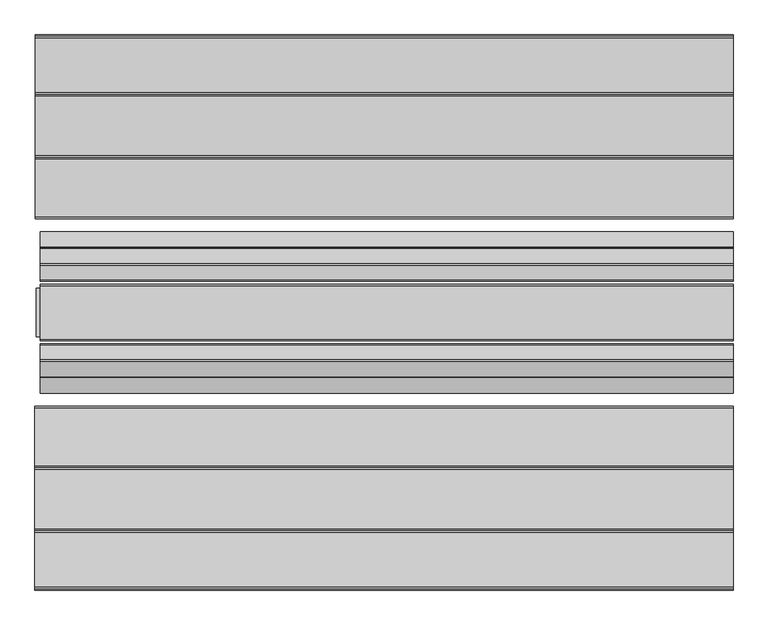
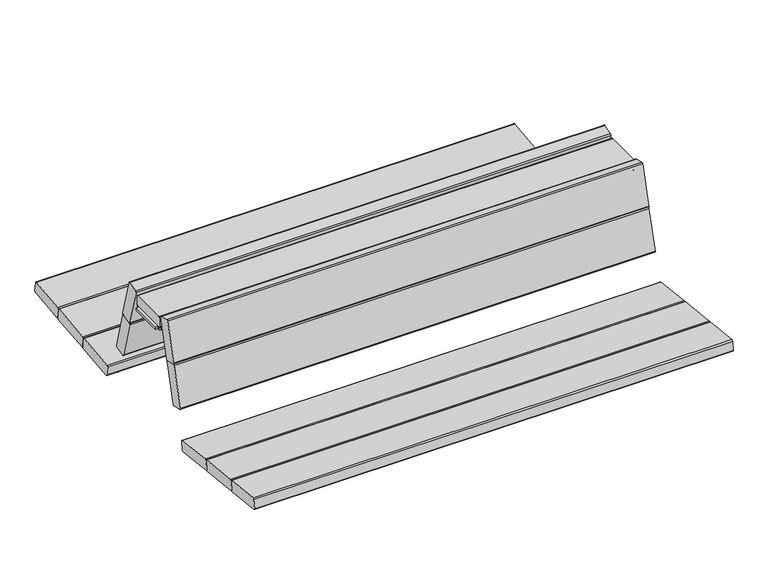
"""IFC4 building model written with IfcOpenShell, lengths in millimetres: furniture geometry."""

from ifc_helpers import new_model, si_unit, point, frame, frame_2d, origin, place, context, project, spatial, polyline, circle_curve, trimmed, segment, composite_curve, outline, extrude, source, transform, mapped, element, save
from ifc_brep_helpers import plane_surface, cylinder_surface, revolved_surface, advanced_brep


def furniture_ad0ee028(model_context):
    return source(origin(), model_context, "Body", "SolidModel", [
        advanced_brep(
        [(-766.5577736, 1029.8448496, 412.9601231), (-766.5577736, 1030.6743217, 405.3521172), (-805.5963377, 1030.6743217, 405.3521172), (-806.5474184, 1030.7774035, 404.4066392), (-806.5474184, 1032.0535086, 392.7020678), (-812.5430123, 1032.0535086, 392.7020678), (-812.5430123, 1030.8114815, 404.0940726), (-812.5430123, 1030.2783854, 408.9836866), (-808.5430123, 1029.8448496, 412.9601231), (-766.5577736, 612.184467, 367.4241961), (-808.5430123, 612.184467, 367.4241961), (-812.5430123, 612.6180028, 363.4477596), (-812.5430123, 613.1510989, 358.5581456), (-812.5430123, 614.3955054, 347.1443157), (-806.5474184, 614.3955054, 347.1443157), (-806.5474184, 613.1170209, 358.8707122), (-805.5963377, 613.013939, 359.8161902), (-766.5577736, 613.013939, 359.8161902)],
        [
            (0, 1),
            (1, 2),
            (2, 3, circle_curve(frame((-805.5963377, 1030.7774035, 404.4066392), z_axis=(0.0, -0.9941091089617909, -0.10838394474826071), x_axis=(0.0, 0.10838394474826071, -0.9941091089617909)), 0.9510807)),
            (3, 4),
            (4, 5),
            (5, 6),
            (6, 7),
            (7, 8, circle_curve(frame((-808.5430123, 1030.2783854, 408.9836866), z_axis=(0.0, 0.9941091089617909, 0.10838394474826071), x_axis=(0.0, 0.10838394474826071, -0.9941091089617909)), 4.0)),
            (8, 0),
            (9, 10),
            (10, 11, circle_curve(frame((-808.5430123, 612.6180028, 363.4477596), z_axis=(0.0, -0.9941091089617909, -0.10838394474826071), x_axis=(0.0, 0.10838394474826071, -0.9941091089617909)), 4.0)),
            (11, 12),
            (12, 13),
            (13, 14),
            (14, 15),
            (15, 16, circle_curve(frame((-805.5963377, 613.1170209, 358.8707122), z_axis=(0.0, 0.9941091089617909, 0.10838394474826071), x_axis=(0.0, 0.10838394474826071, -0.9941091089617909)), 0.9510807)),
            (16, 17),
            (17, 9),
            (0, 9),
            (17, 1),
            (16, 2),
            (15, 3),
            (14, 4, circle_curve(frame((-806.5474184, 770.7220857, 851.2475639), z_axis=(1.0, 0.0, 0.0), x_axis=(0.0, 1.0, 0.0)), 527.7860216)),
            (5, 13, circle_curve(frame((-812.5430123, 770.7220857, 851.2475639), z_axis=(-1.0, 0.0, 0.0), x_axis=(0.0, 1.0, 0.0)), 527.7860216)),
            (12, 6),
            (11, 7),
            (10, 8),
        ],
        [
            plane_surface(frame((-766.5577736, 1030.7974029, 404.223203), z_axis=(0.0, 0.9941091089617909, 0.1083839447482607), x_axis=(0.0, 0.1083839447482607, -0.9941091089617909))),
            plane_surface(frame((-766.5577736, 613.1370203, 358.6872759), z_axis=(0.0, -0.9941091089617909, -0.1083839447482607), x_axis=(0.0, -0.1083839447482607, 0.9941091089617909))),
            plane_surface(frame((-766.5577736, 1029.8448496, 412.9601231), z_axis=(1.0000000000000002, 0.0, 0.0), x_axis=(0.0, -0.994109108961791, -0.10838394474826064))),
            plane_surface(frame((-766.5577736, 1030.6743217, 405.3521172), z_axis=(0.0, 0.10838394474826064, -0.994109108961791), x_axis=(0.0, -0.994109108961791, -0.10838394474826064))),
            revolved_surface(polyline([(-805.5963377, 613.220102757714, 357.9252342105562), (-805.5963377, 1030.8804854548553, 403.46116123677587)]), (-805.5963377, 613.1170209, 358.8707122), (0.0, -0.9941091089617909, -0.10838394474826071)),
            plane_surface(frame((-806.5474184, 1030.7774035, 404.4066392), z_axis=(1.0000000000000002, 0.0, 0.0), x_axis=(0.0, -0.994109108961791, -0.10838394474826064))),
            plane_surface(frame((-812.5430123, 1031.1577981, 400.9176199), z_axis=(-1.0000000000000002, 0.0, 0.0), x_axis=(0.0, -0.994109108961791, -0.10838394474826069))),
            plane_surface(frame((-812.5430123, 1030.8114815, 404.0940726), z_axis=(-1.0000000000000002, 0.0, 0.0), x_axis=(0.0, -0.994109108961791, -0.10838394474826064))),
            cylinder_surface(frame((-808.5430123, 612.6180028, 363.4477596), z_axis=(0.0, 0.9941091089617909, 0.10838394474826071), x_axis=(0.0, 0.10838394474826071, -0.9941091089617909)), 4.0),
            plane_surface(frame((-808.5430123, 1029.8448496, 412.9601231), z_axis=(0.0, -0.10838394474826064, 0.994109108961791), x_axis=(0.0, -0.994109108961791, -0.10838394474826064))),
            cylinder_surface(frame((-806.5474184, 770.7220857, 851.2475639), z_axis=(-1.0, 0.0, 0.0), x_axis=(0.0, 1.0, 0.0)), 527.7860216),
        ],
        [
            (0, [[1, 2, 3, 4, 5, 6, 7, 8, 9]]),
            (1, [[10, 11, 12, 13, 14, 15, 16, 17, 18]]),
            (2, [[-1, 19, -18, 20]]),
            (3, [[-2, -20, -17, 21]]),
            (4, [[-3, -21, -16, 22]]),
            (5, [[-4, -22, -15, 23]]),
            (6, [[-6, 24, -13, 25]]),
            (7, [[-7, -25, -12, 26]]),
            (8, [[-8, -26, -11, 27]]),
            (9, [[-9, -27, -10, -19]]),
            (10, [[-24, -5, -23, -14]]),
        ],
    ),
        advanced_brep(
        [(812.5430123, 614.3955054, 347.1443157), (812.5430123, 1032.0535086, 392.7020678), (812.5430123, 1030.2988015, 408.7964286), (812.5430123, 612.6384188, 363.2605016), (806.5474184, 1032.0535086, 392.7020678), (806.5474184, 614.3955054, 347.1443157), (806.5474184, 613.1170209, 358.8707122), (806.5474184, 1030.7774035, 404.4066392), (805.5963377, 1030.6743217, 405.3521172), (766.5577736, 1030.6743217, 405.3521172), (766.5577736, 1029.8652657, 412.772865), (808.5430123, 1029.8652657, 412.772865), (808.5430123, 612.2048831, 367.236938), (766.5577736, 612.2048831, 367.236938), (766.5577736, 613.013939, 359.8161902), (805.5963377, 613.013939, 359.8161902)],
        [
            (0, 1, circle_curve(frame((812.5430123, 770.7220857, 851.2475639), z_axis=(1.0, 0.0, 0.0), x_axis=(0.0, 1.0, 0.0)), 527.7860216)),
            (1, 2),
            (2, 3),
            (3, 0),
            (4, 5, circle_curve(frame((806.5474184, 770.7220857, 851.2475639), z_axis=(-1.0, 0.0, 0.0), x_axis=(0.0, 1.0, 0.0)), 527.7860216)),
            (5, 6),
            (6, 7),
            (7, 4),
            (1, 4),
            (7, 8, circle_curve(frame((805.5963377, 1030.7774035, 404.4066392), z_axis=(0.0, -0.9941091089617909, -0.10838394474826071), x_axis=(0.0, 0.10838394474826071, -0.9941091089617909)), 0.9510807)),
            (8, 9),
            (9, 10),
            (10, 11),
            (11, 2, circle_curve(frame((808.5430123, 1030.2988015, 408.7964286), z_axis=(0.0, 0.9941091089617909, 0.10838394474826071), x_axis=(0.0, 0.10838394474826071, -0.9941091089617909)), 4.0)),
            (0, 5),
            (3, 12, circle_curve(frame((808.5430123, 612.6384188, 363.2605016), z_axis=(0.0, -0.9941091089617909, -0.10838394474826071), x_axis=(0.0, 0.10838394474826071, -0.9941091089617909)), 4.0)),
            (12, 13),
            (13, 14),
            (14, 15),
            (15, 6, circle_curve(frame((805.5963377, 613.1170209, 358.8707122), z_axis=(0.0, 0.9941091089617909, 0.10838394474826071), x_axis=(0.0, 0.10838394474826071, -0.9941091089617909)), 0.9510807)),
            (9, 14),
            (13, 10),
            (8, 15),
            (11, 12),
        ],
        [
            plane_surface(frame((812.5430123, 613.1510989, 358.5581456), z_axis=(1.0, 0.0, 0.0), x_axis=(0.0, -0.9941091089617913, -0.10838394474825762))),
            plane_surface(frame((806.5474184, 613.1510989, 358.5581456), z_axis=(-1.0, 0.0, 0.0), x_axis=(0.0, 0.9941091089617913, 0.10838394474825762))),
            plane_surface(frame((812.5430123, 1032.0535086, 392.7020678), z_axis=(0.0, 0.994109108961791, 0.10838394474826007), x_axis=(-1.0, 0.0, 0.0))),
            cylinder_surface(frame((806.5474184, 770.7220857, 851.2475639), z_axis=(1.0, 0.0, 0.0), x_axis=(0.0, 1.0, 0.0)), 527.7860216),
            plane_surface(frame((812.5430123, 613.1510989, 358.5581456), z_axis=(0.0, -0.994109108961791, -0.10838394474826041), x_axis=(-1.0, 0.0, 0.0))),
            plane_surface(frame((766.5577736, 1030.6743217, 405.3521172), z_axis=(-1.0000000000000002, 0.0, 0.0), x_axis=(0.0, -0.994109108961791, -0.10838394474826069))),
            plane_surface(frame((805.5963377, 1030.6743217, 405.3521172), z_axis=(0.0, 0.10838394474826069, -0.994109108961791), x_axis=(0.0, -0.994109108961791, -0.10838394474826069))),
            revolved_surface(polyline([(805.5963377, 613.220102757714, 357.9252342105562), (805.5963377, 1030.8804854548553, 403.46116123677587)]), (805.5963377, 613.1170209, 358.8707122), (0.0, -0.9941091089617909, -0.10838394474826071)),
            cylinder_surface(frame((808.5430123, 612.6384188, 363.2605016), z_axis=(0.0, 0.9941091089617909, 0.10838394474826071), x_axis=(0.0, 0.10838394474826071, -0.9941091089617909)), 4.0),
            plane_surface(frame((766.5577736, 1029.8652657, 412.772865), z_axis=(0.0, -0.10838394474826069, 0.994109108961791), x_axis=(0.0, -0.994109108961791, -0.10838394474826069))),
        ],
        [
            (0, [[1, 2, 3, 4]]),
            (1, [[5, 6, 7, 8]]),
            (2, [[-2, 9, -8, 10, 11, 12, 13, 14]]),
            (3, [[-1, 15, -5, -9]]),
            (4, [[-6, -15, -4, 16, 17, 18, 19, 20]]),
            (5, [[-12, 21, -18, 22]]),
            (6, [[-11, 23, -19, -21]]),
            (7, [[-10, -7, -20, -23]]),
            (8, [[-14, 24, -16, -3]]),
            (9, [[-13, -22, -17, -24]]),
        ],
    ),
        advanced_brep(
        [(813.6175866, 1032.0535086, 392.7020678), (813.6175866, 614.3955054, 347.1443157), (813.6175866, 612.6552624, 363.1060105), (813.6175866, 1030.315645, 408.6419375), (819.6131806, 614.3955054, 347.1443157), (819.6131806, 1032.0535086, 392.7020678), (819.6131806, 1030.7774035, 404.4066392), (819.6131806, 613.1170209, 358.8707122), (817.6175866, 1029.8821093, 412.6183739), (859.6028254, 1029.8821093, 412.6183739), (859.6028254, 1030.6743217, 405.3521172), (820.5642613, 1030.6743217, 405.3521172), (820.5642613, 613.013939, 359.8161902), (859.6028254, 613.013939, 359.8161902), (859.6028254, 612.2217266, 367.0824469), (817.6175866, 612.2217266, 367.0824469)],
        [
            (0, 1, circle_curve(frame((813.6175866, 770.7220857, 851.2475639), z_axis=(-1.0, 0.0, 0.0), x_axis=(0.0, 1.0, 0.0)), 527.7860216)),
            (1, 2),
            (2, 3),
            (3, 0),
            (4, 5, circle_curve(frame((819.6131806, 770.7220857, 851.2475639), z_axis=(1.0, 0.0, 0.0), x_axis=(0.0, 1.0, 0.0)), 527.7860216)),
            (5, 6),
            (6, 7),
            (7, 4),
            (5, 0),
            (3, 8, circle_curve(frame((817.6175866, 1030.315645, 408.6419375), z_axis=(0.0, 0.9941091089617909, 0.10838394474826071), x_axis=(0.0, 0.10838394474826071, -0.9941091089617909)), 4.0)),
            (8, 9),
            (9, 10),
            (10, 11),
            (11, 6, circle_curve(frame((820.5642613, 1030.7774035, 404.4066392), z_axis=(0.0, -0.9941091089617909, -0.10838394474826071), x_axis=(0.0, 0.10838394474826071, -0.9941091089617909)), 0.9510807)),
            (4, 1),
            (7, 12, circle_curve(frame((820.5642613, 613.1170209, 358.8707122), z_axis=(0.0, 0.9941091089617909, 0.10838394474826071), x_axis=(0.0, 0.10838394474826071, -0.9941091089617909)), 0.9510807)),
            (12, 13),
            (13, 14),
            (14, 15),
            (15, 2, circle_curve(frame((817.6175866, 612.6552624, 363.1060105), z_axis=(0.0, -0.9941091089617909, -0.10838394474826071), x_axis=(0.0, 0.10838394474826071, -0.9941091089617909)), 4.0)),
            (9, 14),
            (13, 10),
            (12, 11),
            (15, 8),
        ],
        [
            plane_surface(frame((813.6175866, 1030.8114815, 404.0940726), z_axis=(-1.0, 0.0, 0.0), x_axis=(0.0, 0.10838394474826071, -0.9941091089617909))),
            plane_surface(frame((819.6131806, 1030.8114815, 404.0940726), z_axis=(1.0, 0.0, 0.0), x_axis=(0.0, -0.10838394474826071, 0.9941091089617909))),
            plane_surface(frame((813.6175866, 1030.8114815, 404.0940726), z_axis=(0.0, 0.9941091089617909, 0.10838394474826071), x_axis=(1.0, 0.0, 0.0))),
            cylinder_surface(frame((819.6131806, 770.7220857, 851.2475639), z_axis=(-1.0, 0.0, 0.0), x_axis=(0.0, 1.0, 0.0)), 527.7860216),
            plane_surface(frame((813.6175866, 614.3955054, 347.1443157), z_axis=(0.0, -0.994109108961791, -0.10838394474826041), x_axis=(1.0, 0.0, 0.0))),
            plane_surface(frame((859.6028254, 1029.8821093, 412.6183739), z_axis=(1.0000000000000002, 0.0, 0.0), x_axis=(0.0, -0.994109108961791, -0.10838394474826081))),
            plane_surface(frame((859.6028254, 1030.6743217, 405.3521172), z_axis=(0.0, 0.10838394474826064, -0.994109108961791), x_axis=(0.0, -0.994109108961791, -0.10838394474826064))),
            revolved_surface(polyline([(820.5642613, 613.220102757714, 357.9252342105562), (820.5642613, 1030.8804854548553, 403.46116123677587)]), (820.5642613, 613.1170209, 358.8707122), (0.0, -0.9941091089617909, -0.10838394474826071)),
            cylinder_surface(frame((817.6175866, 612.6552624, 363.1060105), z_axis=(0.0, 0.9941091089617909, 0.10838394474826071), x_axis=(0.0, 0.10838394474826071, -0.9941091089617909)), 4.0),
            plane_surface(frame((817.6175866, 1029.8821093, 412.6183739), z_axis=(0.0, -0.10838394474826081, 0.994109108961791), x_axis=(0.0, -0.994109108961791, -0.10838394474826081))),
        ],
        [
            (0, [[1, 2, 3, 4]]),
            (1, [[5, 6, 7, 8]]),
            (2, [[-6, 9, -4, 10, 11, 12, 13, 14]]),
            (3, [[-1, -9, -5, 15]]),
            (4, [[-2, -15, -8, 16, 17, 18, 19, 20]]),
            (5, [[-12, 21, -18, 22]]),
            (6, [[-13, -22, -17, 23]]),
            (7, [[-14, -23, -16, -7]]),
            (8, [[-10, -3, -20, 24]]),
            (9, [[-11, -24, -19, -21]]),
        ],
    ),
        extrude(outline(polyline([(0.0, -19.9999999), (0.0, 0.0), (1612.8148813, 0.0), (1612.8148813, -19.9999999), (0.0, -19.9999999)])), frame((806.271869, 708.9963741, 329.0549245), z_axis=(0.0, -0.10862274800818686, 0.9940830441241566), x_axis=(-1.0, 0.0, 0.0)), (0.0, 0.0, 1.0), 40.0),
        extrude(outline(polyline([(0.0, -20.0), (0.0, 0.0), (1612.8148813, 0.0), (1612.8148813, -20.0), (0.0, -20.0)])), frame((806.271869, 923.2070815, 352.4615763), z_axis=(0.0, -0.10862274800818948, 0.9940830441241564), x_axis=(-1.0, 0.0, 0.0)), (0.0, 0.0, 1.0), 40.0),
        extrude(outline(composite_curve([segment(trimmed(circle_curve(frame_2d((474.6161099, 636.5462254)), 4.0), [point((475.675705, 632.6891205))], [point((470.7589973, 635.4866585))], False, "CARTESIAN"), True, "CONTINUOUS"), segment(polyline([(470.7589973, 635.4866585), (432.4980687, 774.7668691)]), True, "CONTINUOUS"), segment(trimmed(circle_curve(frame_2d((436.3551813, 775.8264361)), 4.0), [point((432.4980687, 774.7668691))], [point((435.295586, 779.6835409))], False, "CARTESIAN"), True, "CONTINUOUS"), segment(polyline([(435.295586, 779.6835409), (470.9736937, 789.4847667)]), True, "CONTINUOUS"), segment(trimmed(circle_curve(frame_2d((472.033289, 785.6276619)), 4.0), [point((470.9736937, 789.4847667))], [point((475.8904015, 786.687229))], False, "CARTESIAN"), True, "CONTINUOUS"), segment(polyline([(475.8904015, 786.687229), (514.1513384, 647.4070186)]), True, "CONTINUOUS"), segment(trimmed(circle_curve(frame_2d((510.2942258, 646.3474514)), 4.0), [point((514.1513384, 647.4070186))], [point((511.3538209, 642.4903465))], False, "CARTESIAN"), True, "CONTINUOUS"), segment(polyline([(511.3538209, 642.4903465), (475.675705, 632.6891205)]), True, "CONTINUOUS")], self_intersect=False)), frame((-849.6219974, 0.0, 0.0), z_axis=(1.0, 0.0, 0.0), x_axis=(0.0, 1.0, 0.0)), (0.0, 0.0, 1.0), 1709.2248228),
        extrude(outline(composite_curve([segment(trimmed(circle_curve(frame_2d((514.7629227, 490.4006673)), 4.0), [point((515.8225178, 486.5435624))], [point((510.90581, 489.3411004))], False, "CARTESIAN"), True, "CONTINUOUS"), segment(polyline([(510.90581, 489.3411004), (472.8780766, 627.7724172)]), True, "CONTINUOUS"), segment(trimmed(circle_curve(frame_2d((476.7351892, 628.8319842)), 4.0), [point((472.8780766, 627.7724172))], [point((475.6755939, 632.689089))], False, "CARTESIAN"), True, "CONTINUOUS"), segment(polyline([(475.6755939, 632.689089), (511.3537013, 642.4903147)]), True, "CONTINUOUS"), segment(trimmed(circle_curve(frame_2d((512.4132966, 638.6332098)), 4.0), [point((511.3537013, 642.4903147))], [point((516.2704092, 639.692777))], False, "CARTESIAN"), True, "CONTINUOUS"), segment(polyline([(516.2704092, 639.692777), (554.2981509, 501.2614604)]), True, "CONTINUOUS"), segment(trimmed(circle_curve(frame_2d((550.4410383, 500.2018933)), 4.0), [point((554.2981509, 501.2614604))], [point((551.5006334, 496.3447884))], False, "CARTESIAN"), True, "CONTINUOUS"), segment(polyline([(551.5006334, 496.3447884), (515.8225178, 486.5435624)]), True, "CONTINUOUS")], self_intersect=False)), frame((-849.4957131, 0.0, 0.0), z_axis=(1.0, 0.0, 0.0), x_axis=(0.0, 1.0, 0.0)), (0.0, 0.0, 1.0), 1709.0985386),
        extrude(outline(composite_curve([segment(trimmed(circle_curve(frame_2d((591.0942624, 402.9194118)), 4.0), [point((587.1178523, 402.4856342))], [point((590.6604217, 406.895815))], False, "CARTESIAN"), True, "CONTINUOUS"), segment(polyline([(590.6604217, 406.895815), (733.8103142, 422.5140125)]), True, "CONTINUOUS"), segment(trimmed(circle_curve(frame_2d((734.2441549, 418.5376093)), 4.0), [point((733.8103142, 422.5140125))], [point((738.220565, 418.971387))], False, "CARTESIAN"), True, "CONTINUOUS"), segment(polyline([(738.220565, 418.971387), (741.8732342, 385.4876153)]), True, "CONTINUOUS"), segment(trimmed(circle_curve(frame_2d((737.8968242, 385.0538377)), 4.0), [point((741.8732342, 385.4876153))], [point((738.3306018, 381.0774276))], False, "CARTESIAN"), True, "CONTINUOUS"), segment(polyline([(738.3306018, 381.0774276), (595.1804616, 365.461501)]), True, "CONTINUOUS"), segment(trimmed(circle_curve(frame_2d((594.7466839, 369.4379111)), 4.0), [point((595.1804616, 365.461501))], [point((590.7702739, 369.0041334))], False, "CARTESIAN"), True, "CONTINUOUS"), segment(polyline([(590.7702739, 369.0041334), (587.1178523, 402.4856342)]), True, "CONTINUOUS")], self_intersect=False)), frame((-862.5907733, 0.0, 0.0), z_axis=(1.0, 0.0, 0.0), x_axis=(0.0, 1.0, 0.0)), (0.0, 0.0, 1.0), 1722.1935987),
        extrude(outline(composite_curve([segment(trimmed(circle_curve(frame_2d((742.1969612, 419.4052908)), 4.0), [point((738.2205512, 418.9715131))], [point((741.7631205, 423.3816939))], False, "CARTESIAN"), True, "CONTINUOUS"), segment(polyline([(741.7631205, 423.3816939), (889.0050693, 439.4463504)]), True, "CONTINUOUS"), segment(trimmed(circle_curve(frame_2d((889.43891, 435.4699472)), 4.0), [point((889.0050693, 439.4463504))], [point((893.4153201, 435.9037248))], False, "CARTESIAN"), True, "CONTINUOUS"), segment(polyline([(893.4153201, 435.9037248), (897.0682505, 402.417559)]), True, "CONTINUOUS"), segment(trimmed(circle_curve(frame_2d((893.0918405, 401.9837814)), 4.0), [point((897.0682505, 402.417559))], [point((893.5256181, 398.0073713))], False, "CARTESIAN"), True, "CONTINUOUS"), segment(polyline([(893.5256181, 398.0073713), (746.2834145, 381.9450507)]), True, "CONTINUOUS"), segment(trimmed(circle_curve(frame_2d((745.8496369, 385.9214608)), 4.0), [point((746.2834145, 381.9450507))], [point((741.8732268, 385.4876832))], False, "CARTESIAN"), True, "CONTINUOUS"), segment(polyline([(741.8732268, 385.4876832), (738.2205512, 418.9715131)]), True, "CONTINUOUS")], self_intersect=False)), frame((-862.5907733, 0.0, 0.0), z_axis=(1.0, 0.0, 0.0), x_axis=(0.0, 1.0, 0.0)), (0.0, 0.0, 1.0), 1722.1935987),
        extrude(outline(composite_curve([segment(trimmed(circle_curve(frame_2d((897.3917164, 436.3376286)), 4.0), [point((893.4153063, 435.903851))], [point((896.9578756, 440.3140318))], False, "CARTESIAN"), True, "CONTINUOUS"), segment(polyline([(896.9578756, 440.3140318), (1032.0405527, 455.0520654)]), True, "CONTINUOUS"), segment(trimmed(circle_curve(frame_2d((1032.4743934, 451.0756623)), 4.0), [point((1032.0405527, 455.0520654))], [point((1036.4508034, 451.5094399))], False, "CARTESIAN"), True, "CONTINUOUS"), segment(polyline([(1036.4508034, 451.5094399), (1040.10397, 418.02111)]), True, "CONTINUOUS"), segment(trimmed(circle_curve(frame_2d((1036.1275599, 417.5873324)), 4.0), [point((1040.10397, 418.02111))], [point((1036.5613375, 413.6109223))], False, "CARTESIAN"), True, "CONTINUOUS"), segment(polyline([(1036.5613375, 413.6109223), (901.4784267, 398.8750316)]), True, "CONTINUOUS"), segment(trimmed(circle_curve(frame_2d((901.0446491, 402.8514417)), 4.0), [point((901.4784267, 398.8750316))], [point((897.0682391, 402.417664))], False, "CARTESIAN"), True, "CONTINUOUS"), segment(polyline([(897.0682391, 402.417664), (893.4153063, 435.903851)]), True, "CONTINUOUS")], self_intersect=False)), frame((-862.5907733, 0.0, 0.0), z_axis=(1.0, 0.0, 0.0), x_axis=(0.0, 1.0, 0.0)), (0.0, 0.0, 1.0), 1722.1935987),
        extrude(outline(polyline([(0.0, -19.9999999), (0.0, 0.0), (1612.8148813, 0.0), (1612.8148813, -19.9999999), (0.0, -19.9999999)])), frame((806.271869, -17.9230139, 331.2273795), z_axis=(0.0, 0.10862274800818965, 0.9940830441241564), x_axis=(-1.0, 0.0, 0.0)), (0.0, 0.0, 1.0), 40.0),
        extrude(outline(polyline([(0.0, -20.0), (0.0, 0.0), (1612.8148813, 0.0), (1612.8148813, -20.0), (0.0, -20.0)])), frame((806.271869, -232.1337214, 354.6340312), z_axis=(0.0, 0.10862274800818968, 0.9940830441241564), x_axis=(-1.0, 0.0, 0.0)), (0.0, 0.0, 1.0), 40.0),
        extrude(outline(composite_curve([segment(polyline([(235.7474579, 634.3932846), (200.069342, 644.1945106)]), True, "CONTINUOUS"), segment(trimmed(circle_curve(frame_2d((201.1289371, 648.0516155)), 4.0), [point((200.069342, 644.1945106))], [point((197.2718246, 649.1111827))], False, "CARTESIAN"), True, "CONTINUOUS"), segment(polyline([(197.2718246, 649.1111827), (235.0646195, 786.687229)]), True, "CONTINUOUS"), segment(trimmed(circle_curve(frame_2d((238.921732, 785.6276619)), 4.0), [point((235.0646195, 786.687229))], [point((239.9813274, 789.4847667))], False, "CARTESIAN"), True, "CONTINUOUS"), segment(polyline([(239.9813274, 789.4847667), (275.659435, 779.6835409)]), True, "CONTINUOUS"), segment(trimmed(circle_curve(frame_2d((274.5998397, 775.8264361)), 4.0), [point((275.659435, 779.6835409))], [point((278.4569523, 774.7668691))], False, "CARTESIAN"), True, "CONTINUOUS"), segment(polyline([(278.4569523, 774.7668691), (240.6641656, 637.1908226)]), True, "CONTINUOUS"), segment(trimmed(circle_curve(frame_2d((236.807053, 638.2503895)), 4.0), [point((240.6641656, 637.1908226))], [point((235.7474579, 634.3932846))], False, "CARTESIAN"), True, "CONTINUOUS")], self_intersect=False)), frame((-849.6219974, 0.0, 0.0), z_axis=(1.0, 0.0, 0.0), x_axis=(0.0, 1.0, 0.0)), (0.0, 0.0, 1.0), 1709.2248228),
        extrude(outline(composite_curve([segment(polyline([(195.1325032, 486.5435624), (159.4543876, 496.3447884)]), True, "CONTINUOUS"), segment(trimmed(circle_curve(frame_2d((160.5139827, 500.2018933)), 4.0), [point((159.4543876, 496.3447884))], [point((156.6568701, 501.2614604))], False, "CARTESIAN"), True, "CONTINUOUS"), segment(polyline([(156.6568701, 501.2614604), (195.1527538, 641.3969411)]), True, "CONTINUOUS"), segment(trimmed(circle_curve(frame_2d((199.0098664, 640.3373739)), 4.0), [point((195.1527538, 641.3969411))], [point((200.0694617, 644.1944788))], False, "CARTESIAN"), True, "CONTINUOUS"), segment(polyline([(200.0694617, 644.1944788), (235.747569, 634.3932531)]), True, "CONTINUOUS"), segment(trimmed(circle_curve(frame_2d((234.6879737, 630.5361483)), 4.0), [point((235.747569, 634.3932531))], [point((238.5450863, 629.4765813))], False, "CARTESIAN"), True, "CONTINUOUS"), segment(polyline([(238.5450863, 629.4765813), (200.049211, 489.3411004)]), True, "CONTINUOUS"), segment(trimmed(circle_curve(frame_2d((196.1920983, 490.4006673)), 4.0), [point((200.049211, 489.3411004))], [point((195.1325032, 486.5435624))], False, "CARTESIAN"), True, "CONTINUOUS")], self_intersect=False)), frame((-849.4957131, 0.0, 0.0), z_axis=(1.0, 0.0, 0.0), x_axis=(0.0, 1.0, 0.0)), (0.0, 0.0, 1.0), 1709.0985386),
        extrude(outline(composite_curve([segment(polyline([(123.7934591, 402.0849518), (120.1847471, 369.0041334)]), True, "CONTINUOUS"), segment(trimmed(circle_curve(frame_2d((116.2083371, 369.4379111)), 4.0), [point((120.1847471, 369.0041334))], [point((115.7745594, 365.461501))], False, "CARTESIAN"), True, "CONTINUOUS"), segment(polyline([(115.7745594, 365.461501), (-27.5806359, 381.0997966)]), True, "CONTINUOUS"), segment(trimmed(circle_curve(frame_2d((-27.1468583, 385.0762067)), 4.0), [point((-27.5806359, 381.0997966))], [point((-31.1232683, 385.5099843))], False, "CARTESIAN"), True, "CONTINUOUS"), segment(polyline([(-31.1232683, 385.5099843), (-27.5143082, 418.5930769)]), True, "CONTINUOUS"), segment(trimmed(circle_curve(frame_2d((-23.5378982, 418.1592992)), 4.0), [point((-27.5143082, 418.5930769))], [point((-23.1040575, 422.1357024))], False, "CARTESIAN"), True, "CONTINUOUS"), segment(polyline([(-23.1040575, 422.1357024), (120.2508898, 406.4951326)]), True, "CONTINUOUS"), segment(trimmed(circle_curve(frame_2d((119.8170491, 402.5187294)), 4.0), [point((120.2508898, 406.4951326))], [point((123.7934591, 402.0849518))], False, "CARTESIAN"), True, "CONTINUOUS")], self_intersect=False)), frame((-862.8573445, 0.0, 0.0), z_axis=(1.0, 0.0, 0.0), x_axis=(0.0, 1.0, 0.0)), (0.0, 0.0, 1.0), 1722.4601699),
        extrude(outline(composite_curve([segment(polyline([(-27.5142945, 418.593203), (-31.1232609, 385.5100522)]), True, "CONTINUOUS"), segment(trimmed(circle_curve(frame_2d((-35.099671, 385.9438298)), 4.0), [point((-31.1232609, 385.5100522))], [point((-35.5334486, 381.9674197))], False, "CARTESIAN"), True, "CONTINUOUS"), segment(polyline([(-35.5334486, 381.9674197), (-182.9729891, 398.0512674)]), True, "CONTINUOUS"), segment(trimmed(circle_curve(frame_2d((-182.5392115, 402.0276774)), 4.0), [point((-182.9729891, 398.0512674))], [point((-186.5156215, 402.4614551))], False, "CARTESIAN"), True, "CONTINUOUS"), segment(polyline([(-186.5156215, 402.4614551), (-182.9063999, 435.5469449)]), True, "CONTINUOUS"), segment(trimmed(circle_curve(frame_2d((-178.9299899, 435.1131673)), 4.0), [point((-182.9063999, 435.5469449))], [point((-178.4961492, 439.0895704))], False, "CARTESIAN"), True, "CONTINUOUS"), segment(polyline([(-178.4961492, 439.0895704), (-31.0568638, 423.0033838)]), True, "CONTINUOUS"), segment(trimmed(circle_curve(frame_2d((-31.4907045, 419.0269806)), 4.0), [point((-31.0568638, 423.0033838))], [point((-27.5142945, 418.593203))], False, "CARTESIAN"), True, "CONTINUOUS")], self_intersect=False)), frame((-862.8573445, 0.0, 0.0), z_axis=(1.0, 0.0, 0.0), x_axis=(0.0, 1.0, 0.0)), (0.0, 0.0, 1.0), 1722.4601699),
        extrude(outline(composite_curve([segment(polyline([(-182.9063862, 435.547071), (-186.5156101, 402.4615601)]), True, "CONTINUOUS"), segment(trimmed(circle_curve(frame_2d((-190.4920201, 402.8953377)), 4.0), [point((-186.5156101, 402.4615601))], [point((-190.9257978, 398.9189276))], False, "CARTESIAN"), True, "CONTINUOUS"), segment(polyline([(-190.9257978, 398.9189276), (-325.8113716, 413.6332913)]), True, "CONTINUOUS"), segment(trimmed(circle_curve(frame_2d((-325.377594, 417.6097014)), 4.0), [point((-325.8113716, 413.6332913))], [point((-329.3540041, 418.043479))], False, "CARTESIAN"), True, "CONTINUOUS"), segment(polyline([(-329.3540041, 418.043479), (-325.7445467, 451.1311298)]), True, "CONTINUOUS"), segment(trimmed(circle_curve(frame_2d((-321.7681366, 450.6973521)), 4.0), [point((-325.7445467, 451.1311298))], [point((-321.3342959, 454.6737553))], False, "CARTESIAN"), True, "CONTINUOUS"), segment(polyline([(-321.3342959, 454.6737553), (-186.4489555, 439.9572518)]), True, "CONTINUOUS"), segment(trimmed(circle_curve(frame_2d((-186.8827962, 435.9808487)), 4.0), [point((-186.4489555, 439.9572518))], [point((-182.9063862, 435.547071))], False, "CARTESIAN"), True, "CONTINUOUS")], self_intersect=False)), frame((-862.8573445, 0.0, 0.0), z_axis=(1.0, 0.0, 0.0), x_axis=(0.0, 1.0, 0.0)), (0.0, 0.0, 1.0), 1722.4601699),
        extrude(outline(composite_curve([segment(polyline([(421.4776321, 730.1429382), (289.4776321, 730.1429382)]), True, "CONTINUOUS"), segment(trimmed(circle_curve(frame_2d((289.4776321, 734.1429382)), 4.0), [point((289.4776321, 730.1429382))], [point((285.4776321, 734.1429382))], False, "CARTESIAN"), True, "CONTINUOUS"), segment(polyline([(285.4776321, 734.1429382), (285.4776321, 765.9939083)]), True, "CONTINUOUS"), segment(trimmed(circle_curve(frame_2d((289.4776321, 765.9939083)), 4.0), [point((285.4776321, 765.9939083))], [point((289.4776321, 769.9939083))], False, "CARTESIAN"), True, "CONTINUOUS"), segment(polyline([(289.4776321, 769.9939083), (421.4776321, 769.9939083)]), True, "CONTINUOUS"), segment(trimmed(circle_curve(frame_2d((421.4776321, 765.9939083)), 4.0), [point((421.4776321, 769.9939083))], [point((425.4776321, 765.9939083))], False, "CARTESIAN"), True, "CONTINUOUS"), segment(polyline([(425.4776321, 765.9939083), (425.4776321, 734.1429382)]), True, "CONTINUOUS"), segment(trimmed(circle_curve(frame_2d((421.4776321, 734.1429382)), 4.0), [point((425.4776321, 734.1429382))], [point((421.4776321, 730.1429382))], False, "CARTESIAN"), True, "CONTINUOUS")], self_intersect=False)), frame((-849.6219974, 0.0, 0.0), z_axis=(1.0, 0.0, 0.0), x_axis=(0.0, 1.0, 0.0)), (0.0, 0.0, 1.0), 1709.2248228),
        extrude(outline(composite_curve([segment(trimmed(circle_curve(frame_2d((803.632262, 421.4776321)), 4.0), [point((799.632262, 421.4776321))], [point((803.632262, 425.4776321))], False, "CARTESIAN"), True, "CONTINUOUS"), segment(polyline([(803.632262, 425.4776321), (845.632262, 425.4776321)]), True, "CONTINUOUS"), segment(trimmed(circle_curve(frame_2d((845.632262, 421.4776321)), 4.0), [point((845.632262, 425.4776321))], [point((849.632262, 421.4776321))], False, "CARTESIAN"), True, "CONTINUOUS"), segment(polyline([(849.632262, 421.4776321), (849.632262, 415.4775105), (859.6028254, 415.4775105), (859.6028254, 295.4775105), (849.632262, 295.4775105), (849.632262, 289.4776321)]), True, "CONTINUOUS"), segment(trimmed(circle_curve(frame_2d((845.632262, 289.4776321)), 4.0), [point((849.632262, 289.4776321))], [point((845.632262, 285.4776321))], False, "CARTESIAN"), True, "CONTINUOUS"), segment(polyline([(845.632262, 285.4776321), (803.632262, 285.4776321)]), True, "CONTINUOUS"), segment(trimmed(circle_curve(frame_2d((803.632262, 289.4776321)), 4.0), [point((803.632262, 285.4776321))], [point((799.632262, 289.4776321))], False, "CARTESIAN"), True, "CONTINUOUS"), segment(polyline([(799.632262, 289.4776321), (799.632262, 421.4776321)]), True, "CONTINUOUS")], self_intersect=False)), frame((0.0, 0.0, 720.7455365), z_axis=(0.0, 0.0, 1.0), x_axis=(1.0, 0.0, 0.0)), (0.0, 0.0, 1.0), 10.0),
        extrude(outline(composite_curve([segment(polyline([(-799.6219974, 421.4776321), (-799.6219974, 289.4776321)]), True, "CONTINUOUS"), segment(trimmed(circle_curve(frame_2d((-803.6219974, 289.4776321)), 4.0), [point((-799.6219974, 289.4776321))], [point((-803.6219974, 285.4776321))], False, "CARTESIAN"), True, "CONTINUOUS"), segment(polyline([(-803.6219974, 285.4776321), (-845.6219974, 285.4776321)]), True, "CONTINUOUS"), segment(trimmed(circle_curve(frame_2d((-845.6219974, 289.4776321)), 4.0), [point((-845.6219974, 285.4776321))], [point((-849.6219974, 289.4776321))], False, "CARTESIAN"), True, "CONTINUOUS"), segment(polyline([(-849.6219974, 289.4776321), (-849.6219974, 295.4775105), (-859.5925607, 295.4775105), (-859.5925607, 415.4775105), (-849.6219974, 415.4775105), (-849.6219974, 421.4776321)]), True, "CONTINUOUS"), segment(trimmed(circle_curve(frame_2d((-845.6219974, 421.4776321)), 4.0), [point((-849.6219974, 421.4776321))], [point((-845.6219974, 425.4776321))], False, "CARTESIAN"), True, "CONTINUOUS"), segment(polyline([(-845.6219974, 425.4776321), (-803.6219974, 425.4776321)]), True, "CONTINUOUS"), segment(trimmed(circle_curve(frame_2d((-803.6219974, 421.4776321)), 4.0), [point((-803.6219974, 425.4776321))], [point((-799.6219974, 421.4776321))], False, "CARTESIAN"), True, "CONTINUOUS")], self_intersect=False)), frame((0.0, 0.0, 720.7455365), z_axis=(0.0, 0.0, 1.0), x_axis=(1.0, 0.0, 0.0)), (0.0, 0.0, 1.0), 10.0),
    ])


if __name__ == "__main__":
    model = new_model("IFC4")
    model_context = context("Model", 3, world=origin())
    ifc_project = project(units=[si_unit("LENGTHUNIT", "METRE", prefix="MILLI")], contexts=[model_context])
    site = spatial("IfcSite", under=ifc_project)
    building = spatial("IfcBuilding", under=site)
    placement = place(None, origin())
    furniture_shape = furniture_ad0ee028(model_context)
    element("IfcFurniture", 1, at=placement, inside=building, context=model_context, shape_type="MappedRepresentation", body=[
        mapped(furniture_shape, transform((0.0, 0.0, 0.0), x_axis=(1.0, 0.0, 0.0), y_axis=(0.0, 1.0, 0.0), z_axis=(0.0, 0.0, 1.0))),
    ])
    save(model, "model.ifc")
